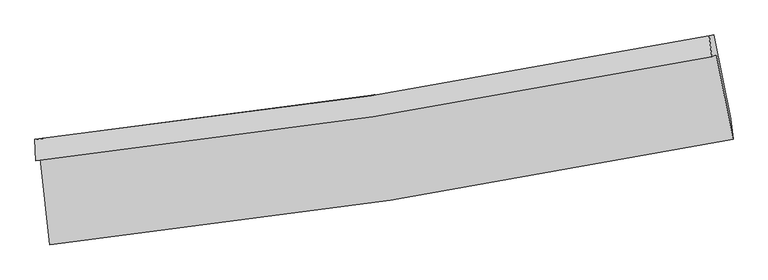
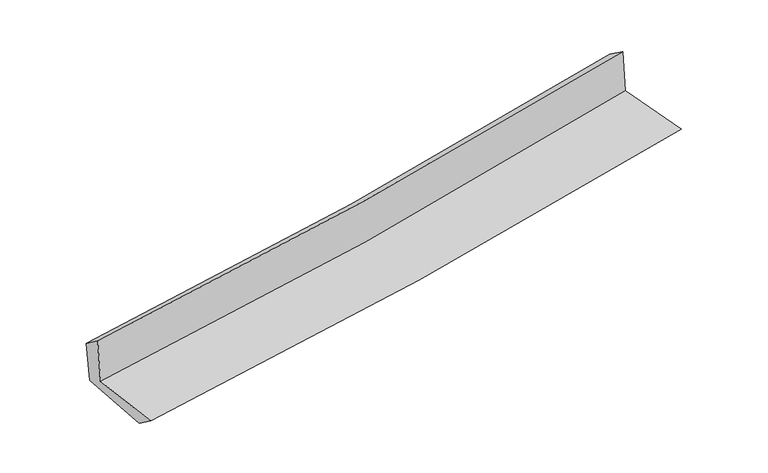
"""IFC4 building model written with IfcOpenShell, lengths in millimetres: proxy geometry."""

import ifcopenshell
import ifcopenshell.guid

model = None  # the IFC model being written
_history = None  # IfcOwnerHistory: only IFC2X3 demands one
_inside = {}  # id of a spatial element -> (the spatial element, [elements in it])
_under = {}  # id of a project, library or spatial element -> (it, [spatial elements below it])
_declared = {}  # id of a project -> (the project, [libraries it declares])
_typed = {}  # id of a type object -> (the type object, [elements of that type])
_made_of = {}  # id of a material, layer set ... -> (it, [elements and type objects made of it])


def new_model(schema):
    """Start an empty IFC model of exactly this schema.

    Asked for "IFC4X3", IfcOpenShell would pick the latest addendum, in which some entities
    have other attributes; the version numbers below select the first issue.
    IFC2X3 requires an IfcOwnerHistory on every rooted entity: one is made here for all.
    """
    global model, _history
    if schema == "IFC4X3":
        model = ifcopenshell.file(schema_version=(4, 3, 0, 0))
    else:
        model = ifcopenshell.file(schema=schema)
    _inside.clear()
    _under.clear()
    _declared.clear()
    _typed.clear()
    _made_of.clear()
    _history = None
    if model.schema == "IFC2X3":
        org = make("IfcOrganization", Name="unknown")
        user = make(
            "IfcPersonAndOrganization",
            ThePerson=make("IfcPerson", FamilyName="unknown"),
            TheOrganization=org,
        )
        app = make(
            "IfcApplication",
            ApplicationDeveloper=org,
            Version="unknown",
            ApplicationFullName="unknown",
            ApplicationIdentifier="unknown",
        )
        _history = make(
            "IfcOwnerHistory",
            OwningUser=user,
            OwningApplication=app,
            ChangeAction="ADDED",
            CreationDate=0,
        )
    return model


def make(cls, **values):
    """One entity of the class cls with the attributes given. An attribute that is None is left unset."""
    return model.create_entity(
        cls, **{name: value for name, value in values.items() if value is not None}
    )


def rooted(cls, **values):
    """An entity with a GlobalId (a new one), such as an element, a storey or a relation."""
    return make(cls, GlobalId=ifcopenshell.guid.new(), OwnerHistory=_history, **values)


def si_unit(unit_type, name, prefix=None):
    """IfcSIUnit, for example si_unit("LENGTHUNIT", "METRE", prefix="MILLI")."""
    return make("IfcSIUnit", UnitType=unit_type, Prefix=prefix, Name=name)


def assignment(units):
    """IfcUnitAssignment: the units of a project."""
    return None if units is None else make("IfcUnitAssignment", Units=units)


def point(xyz):
    """IfcCartesianPoint."""
    return None if xyz is None else make("IfcCartesianPoint", Coordinates=xyz)


def direction(xyz):
    """IfcDirection."""
    return None if xyz is None else make("IfcDirection", DirectionRatios=xyz)


def frame(location, z_axis=None, x_axis=None):
    """IfcAxis2Placement3D, a coordinate frame: its origin and axes. An axis left out is left unset."""
    return make(
        "IfcAxis2Placement3D",
        Location=point(location),
        Axis=direction(z_axis),
        RefDirection=direction(x_axis),
    )


def origin():
    """The frame at (0, 0, 0) with its axes left unset."""
    return frame((0.0, 0.0, 0.0))


def place(relative_to, where):
    """IfcLocalPlacement: puts the frame where relative to a parent placement (None: the world)."""
    return make(
        "IfcLocalPlacement", PlacementRelTo=relative_to, RelativePlacement=where
    )


def context(
    kind, dimensions, precision=None, world=None, true_north=None, identifier=None
):
    """IfcGeometricRepresentationContext, for example the 3D "Model" context."""
    return make(
        "IfcGeometricRepresentationContext",
        ContextIdentifier=identifier,
        ContextType=kind,
        CoordinateSpaceDimension=dimensions,
        Precision=precision,
        WorldCoordinateSystem=world,
        TrueNorth=true_north,
    )


def project(units=None, contexts=None):
    """IfcProject with its units and contexts."""
    return rooted(
        "IfcProject",
        Name="project",
        RepresentationContexts=contexts,
        UnitsInContext=assignment(units),
    )


def spatial(cls, under=None, at=None, **own):
    """A site, building, storey or space (cls), placed at a placement, below another one or the project."""
    s = rooted(cls, ObjectPlacement=at, **own)
    if under is not None:
        _under.setdefault(under.id(), (under, []))[1].append(s)
    return s


def shape(context_of_items, identifier, shape_type, items):
    """IfcShapeRepresentation: the items that make up one representation, for example the "Body"."""
    return make(
        "IfcShapeRepresentation",
        ContextOfItems=context_of_items,
        RepresentationIdentifier=identifier,
        RepresentationType=shape_type,
        Items=items,
    )


def source(mapping_origin, context_of_items, identifier, shape_type, items):
    """IfcRepresentationMap: a shape defined once, which mapped items show again and again."""
    return make(
        "IfcRepresentationMap",
        MappingOrigin=mapping_origin,
        MappedRepresentation=shape(context_of_items, identifier, shape_type, items),
    )


def transform(
    local_origin,
    x_axis=None,
    y_axis=None,
    z_axis=None,
    scale=None,
    scale2=None,
    scale3=None,
    uniform=True,
):
    """IfcCartesianTransformationOperator3D, or its non-uniform kind. x_axis, y_axis, z_axis: its Axis1, 2, 3."""
    if uniform:
        return make(
            "IfcCartesianTransformationOperator3D",
            Axis1=direction(x_axis),
            Axis2=direction(y_axis),
            LocalOrigin=point(local_origin),
            Scale=scale,
            Axis3=direction(z_axis),
        )
    return make(
        "IfcCartesianTransformationOperator3DnonUniform",
        Axis1=direction(x_axis),
        Axis2=direction(y_axis),
        LocalOrigin=point(local_origin),
        Scale=scale,
        Axis3=direction(z_axis),
        Scale2=scale2,
        Scale3=scale3,
    )


def mapped(mapping_source, mapping_target):
    """IfcMappedItem: shows the shape of a source again, moved by a transform."""
    return make(
        "IfcMappedItem", MappingSource=mapping_source, MappingTarget=mapping_target
    )


def made_of(thing, what):
    """Note that an element or type object is made of a material, layer set ...; save() writes the relation."""
    if what is not None:
        _made_of.setdefault(what.id(), (what, []))[1].append(thing)
    return thing


def element(
    cls,
    number,
    at=None,
    inside=None,
    cuts=None,
    type_object=None,
    material=None,
    context=None,
    identifier="Body",
    shape_type=None,
    held_by="IfcProductDefinitionShape",
    body=None,
    shapes=None,
    **own,
):
    """One element of the class cls, such as IfcWall. Its Tag is "e" and its number.

    at: its placement. inside: the storey or other place that contains it. cuts: it is an
    opening in that element (IfcRelVoidsElement). A single representation is given by context,
    identifier, shape_type and body (its items); several are given by shapes. held_by: the class
    of the entity that holds the representations. save() writes the other relations.
    """
    e = rooted(cls, Tag="e%d" % number, ObjectPlacement=at, **own)
    if body is not None:
        shapes = [shape(context, identifier, shape_type, body)]
    if shapes is not None:
        e.Representation = make(held_by, Representations=shapes)
    if inside is not None:
        _inside.setdefault(inside.id(), (inside, []))[1].append(e)
    if cuts is not None:
        rooted(
            "IfcRelVoidsElement", RelatingBuildingElement=cuts, RelatedOpeningElement=e
        )
    if type_object is not None:
        _typed.setdefault(type_object.id(), (type_object, []))[1].append(e)
    return made_of(e, material)


def aggregate(whole, parts):
    """IfcRelAggregates: a whole, such as a stair, and the parts it consists of."""
    return rooted("IfcRelAggregates", RelatingObject=whole, RelatedObjects=parts)


def save(model, path):
    """Write the relations noted so far, then the file.

    IfcRelAggregates (storeys below a building ...), IfcRelContainedInSpatialStructure (elements
    in a storey), IfcRelDefinesByType, IfcRelAssociatesMaterial and IfcRelDeclares: one each for
    every whole, place, type object, material and project.
    """
    for whole, parts in _under.values():
        aggregate(whole, parts)
    for where, things in _inside.values():
        rooted(
            "IfcRelContainedInSpatialStructure",
            RelatedElements=things,
            RelatingStructure=where,
        )
    for kind, things in _typed.values():
        rooted("IfcRelDefinesByType", RelatedObjects=things, RelatingType=kind)
    for what, things in _made_of.values():
        rooted("IfcRelAssociatesMaterial", RelatedObjects=things, RelatingMaterial=what)
    for by, libraries in _declared.values():
        rooted("IfcRelDeclares", RelatingContext=by, RelatedDefinitions=libraries)
    model.write(path)


def plane_surface(at):
    """IfcPlane: the flat surface through the origin of the frame at, square to its z axis."""
    return make("IfcPlane", Position=at)


def spline_curve(degree, points, multiplicities, knots, weights=None):
    """IfcBSplineCurveWithKnots; with weights, IfcRationalBSplineCurveWithKnots."""
    own = dict(
        Degree=degree,
        ControlPointsList=[point(p) for p in points],
        CurveForm="UNSPECIFIED",
        ClosedCurve=False,
        SelfIntersect=False,
        KnotMultiplicities=multiplicities,
        Knots=knots,
        KnotSpec="UNSPECIFIED",
    )
    if weights is None:
        return make("IfcBSplineCurveWithKnots", **own)
    return make("IfcRationalBSplineCurveWithKnots", WeightsData=weights, **own)


def spline_surface(u_degree, v_degree, points, u_multiplicities, v_multiplicities, u_knots, v_knots, weights=None):
    """IfcBSplineSurfaceWithKnots; with weights, IfcRationalBSplineSurfaceWithKnots. points: one row for each step in u."""
    own = dict(
        UDegree=u_degree,
        VDegree=v_degree,
        ControlPointsList=[[point(p) for p in row] for row in points],
        SurfaceForm="UNSPECIFIED",
        UClosed=False,
        VClosed=False,
        SelfIntersect=False,
        UMultiplicities=u_multiplicities,
        VMultiplicities=v_multiplicities,
        UKnots=u_knots,
        VKnots=v_knots,
        KnotSpec="UNSPECIFIED",
    )
    if weights is None:
        return make("IfcBSplineSurfaceWithKnots", **own)
    return make("IfcRationalBSplineSurfaceWithKnots", WeightsData=weights, **own)


def advanced_brep(points, edges, surfaces, faces):
    """IfcAdvancedBrep: a solid bounded by faces that lie on surfaces and meet in shared edges.

    An edge is (start, end): straight between two places in points (the first is 0);
    or (start, end, curve); or (start, end, curve, False) where it runs against its curve.
    A face is (place in surfaces, loops), or (place, loops, False) where it looks against
    its surface's normal. A loop lists edges by number (the first is 1), with a minus sign
    where the edge is run from its end to its start. The first loop is the outer one.
    """
    corners = [point(p) for p in points]
    vertices = [make("IfcVertexPoint", VertexGeometry=c) for c in corners]
    made = []
    for start, end, *more in edges:
        made.append(
            make(
                "IfcEdgeCurve",
                EdgeStart=vertices[start],
                EdgeEnd=vertices[end],
                EdgeGeometry=more[0] if more else make("IfcPolyline", Points=[corners[start], corners[end]]),
                SameSense=more[1] if len(more) > 1 else True,
            )
        )
    hull = []
    for where, loops, *sense in faces:
        bounds = []
        for j, loop in enumerate(loops):
            ring = [make("IfcOrientedEdge", EdgeElement=made[abs(k) - 1], Orientation=k > 0) for k in loop]
            bounds.append(
                make(
                    "IfcFaceOuterBound" if j == 0 else "IfcFaceBound",
                    Bound=make("IfcEdgeLoop", EdgeList=ring),
                    Orientation=True,
                )
            )
        hull.append(make("IfcAdvancedFace", Bounds=bounds, FaceSurface=surfaces[where], SameSense=sense[0] if sense else True))
    return make("IfcAdvancedBrep", Outer=make("IfcClosedShell", CfsFaces=hull))


def generic_models_c8d1899a(model_context):
    return source(origin(), model_context, "Body", "AdvancedBrep", [
        advanced_brep(
        [(-2622.4648064, -1887.3774681, 1656.6589267), (-2551.2982549, -2548.9858492, 1652.8573665), (2712.4281933, -1738.4414162, 2112.5305694), (2582.9628321, -1086.1371403, 2128.2466199), (-2657.1983719, -1904.0779931, 2063.6969613), (2549.199313, -1102.3712495, 2523.9168094), (-2664.2341655, -1738.8468584, 1944.9752502), (2528.3973631, -939.7475643, 2404.9586948), (-2631.5941583, -1733.2069858, 1574.4667999), (2562.763624, -933.8275061, 2024.5066469), (-2558.4357108, -2381.0817611, 1532.0796056), (2692.7006674, -1578.1380183, 1986.9424987)],
        [
            (0, 1),
            (1, 2, spline_curve(3, [(-2551.2982549, -2548.9858492, 1652.8573665), (-1673.706935418, -2454.957655809, 1725.950799927), (-799.144946019, -2340.977077265, 1800.540615549), (955.511651912, -2071.329857295, 1953.724948491), (1835.525145389, -1915.128958211, 2032.359533751), (2712.4281933, -1738.4414162, 2112.5305694)], [4, 2, 4], [0.0, 8.666718666986261, 17.448703645338487])),
            (2, 3),
            (3, 0, spline_curve(3, [(2582.9628321, -1086.1371403, 2128.2466199), (1716.70314045, -1260.54818572, 2040.422689128), (846.898803403, -1414.832735804, 1956.980898361), (-888.336181083, -1681.387979183, 1799.89927939), (-1753.674390368, -1794.183538247, 1726.14517244), (-2622.4648064, -1887.3774681, 1656.6589267)], [4, 2, 4], [0.0, 8.781984978352225, 17.448703645338487])),
            (4, 0),
            (3, 5),
            (5, 4, spline_curve(3, [(2549.199313, -1102.3712495, 2523.9168094), (1682.409321709, -1277.037272444, 2442.307387882), (812.259678016, -1431.487852367, 2362.912202967), (-923.293831318, -1698.196248095, 2209.563330622), (-1788.61008231, -1810.981249419, 2135.551899454), (-2657.1983719, -1904.0779931, 2063.6969613)], [4, 2, 4], [0.0, 8.73431726853259, 17.35399387936359])),
            (6, 4),
            (5, 7),
            (7, 6, spline_curve(3, [(2528.3973631, -939.7475643, 2404.9586948), (1663.995889127, -1114.038636393, 2323.746171537), (796.195000707, -1268.082811507, 2244.56808631), (-934.770826683, -1533.921236987, 2091.293326293), (-1797.847114559, -1646.243493271, 2017.143596795), (-2664.2341655, -1738.8468584, 1944.9752502)], [4, 2, 4], [0.0, 8.722783158051655, 17.33107704722478])),
            (8, 6),
            (7, 9),
            (9, 8, spline_curve(3, [(2562.763624, -933.8275061, 2024.5066469), (1697.768349706, -1108.224006527, 1948.26860689), (829.526761321, -1262.344205944, 1872.400949847), (-902.010491058, -1528.275259845, 1722.397326394), (-1765.221497024, -1640.614886953, 1648.251701351), (-2631.5941583, -1733.2069858, 1574.4667999)], [4, 2, 4], [0.0, 8.711964491669635, 17.309581712855277])),
            (10, 8),
            (9, 11),
            (11, 10, spline_curve(3, [(2692.7006674, -1578.1380183, 1986.9424987), (1816.449533947, -1745.341367936, 1910.350506837), (937.822924569, -1896.189710131, 1833.899794675), (-812.617816668, -2163.411112802, 1682.282514797), (-1684.369999922, -2280.21068478, 1607.112262517), (-2558.4357108, -2381.0817611, 1532.0796056)], [4, 2, 4], [0.0, 8.759120118552053, 17.40327403420514])),
            (1, 10),
            (11, 2),
        ],
        [
            spline_surface(3, 3, [[(-2622.4648064, -1887.3774681, 1656.6589267), (-1753.674390448, -1794.183538295, 1726.14517256), (-888.336181182, -1681.387979194, 1799.899279518), (846.898803503, -1414.832735794, 1956.980898232), (1716.703140397, -1260.548185641, 2040.422689043), (2582.9628321, -1086.1371403, 2128.2466199)], [(-2598.742622562, -2107.91359514, 1655.391739964), (-1727.018572123, -2014.441577451, 1726.080381674), (-858.60576945, -1901.251011848, 1800.113058195), (883.103086343, -1633.665109669, 1955.895581625), (1756.310475347, -1478.74177655, 2037.734970619), (2626.117952486, -1303.571898937, 2123.007936404)], [(-2575.020438738, -2328.44972216, 1654.124553236), (-1700.362753812, -2234.699616586, 1726.015590797), (-828.875357791, -2121.114044495, 1800.326836912), (919.307369112, -1852.497483536, 1954.810265057), (1795.917810339, -1696.935367446, 2035.047252184), (2669.273072914, -1521.006657563, 2117.769252896)], [(-2551.2982549, -2548.9858492, 1652.8573665), (-1673.706935487, -2454.957655742, 1725.950799911), (-799.144946059, -2340.977077149, 1800.54061559), (955.511651952, -2071.329857412, 1953.72494845), (1835.52514529, -1915.128958355, 2032.35953376), (2712.4281933, -1738.4414162, 2112.5305694)]], [4, 4], [4, 2, 4], [0.0, 2.183182860623151], [0.0, 8.666718666986261, 17.448703645338487]),
            spline_surface(3, 3, [[(-2657.1983719, -1904.0779931, 2063.6969613), (-1788.610082335, -1810.981249309, 2135.551899406), (-923.293831248, -1698.196248096, 2209.563330604), (812.259677944, -1431.487852366, 2362.912202986), (1682.409321799, -1277.037272408, 2442.307387828), (2549.199313, -1102.3712495, 2523.9168094)], [(-2645.620516728, -1898.511151413, 1928.017616428), (-1776.964851701, -1805.382012285, 1999.082990452), (-911.641281243, -1692.593491786, 2073.008646924), (823.806053113, -1425.936146832, 2227.601768083), (1693.840594661, -1271.540910141, 2308.345821547), (2560.453819363, -1096.959879755, 2392.026746214)], [(-2634.042661572, -1892.944309787, 1792.338271572), (-1765.319621083, -1799.78277532, 1862.614081513), (-899.988731187, -1686.990735504, 1936.453963198), (835.352428334, -1420.384441327, 2092.291333135), (1705.271867535, -1266.044547908, 2174.384255324), (2571.708325737, -1091.548510045, 2260.136683086)], [(-2622.4648064, -1887.3774681, 1656.6589267), (-1753.674390448, -1794.183538295, 1726.14517256), (-888.336181182, -1681.387979194, 1799.899279518), (846.898803503, -1414.832735794, 1956.980898232), (1716.703140397, -1260.548185641, 2040.422689043), (2582.9628321, -1086.1371403, 2128.2466199)]], [4, 4], [4, 2, 4], [0.0, 1.3438205741893798], [0.0, 8.619676610830998, 17.35399387936359]),
            spline_surface(3, 3, [[(-2664.2341655, -1738.8468584, 1944.9752502), (-1797.847114519, -1646.243493241, 2017.14359669), (-934.770826656, -1533.921237055, 2091.293326271), (796.195000681, -1268.082811438, 2244.568086332), (1663.995888999, -1114.038636254, 2323.746171643), (2528.3973631, -939.7475643, 2404.9586948)], [(-2661.888900961, -1793.923903319, 1984.549153916), (-1794.768103786, -1701.156078617, 2056.613030945), (-930.945161527, -1588.679574068, 2130.716661023), (801.549893095, -1322.551158413, 2284.016125191), (1670.13369994, -1168.371514975, 2363.266577063), (2535.331346408, -993.955459369, 2444.611399692)], [(-2659.543636439, -1849.000948181, 2024.123057584), (-1791.689093068, -1756.068663934, 2096.082465151), (-927.119496377, -1643.437911083, 2170.139995852), (806.90478553, -1377.01950539, 2323.464164127), (1676.271510858, -1222.704393688, 2402.786982408), (2542.265329692, -1048.163354431, 2484.264104508)], [(-2657.1983719, -1904.0779931, 2063.6969613), (-1788.610082335, -1810.981249309, 2135.551899406), (-923.293831248, -1698.196248096, 2209.563330604), (812.259677944, -1431.487852366, 2362.912202986), (1682.409321799, -1277.037272408, 2442.307387828), (2549.199313, -1102.3712495, 2523.9168094)]], [4, 4], [4, 2, 4], [0.0, 0.6645529369411817], [0.0, 8.608293889173126, 17.33107704722478]),
            spline_surface(3, 3, [[(-2631.5941583, -1733.2069858, 1574.4667999), (-1765.221496946, -1640.614886975, 1648.251701255), (-902.010491191, -1528.275259906, 1722.397326446), (829.526761457, -1262.344205883, 1872.400949795), (1697.768349768, -1108.224006415, 1948.268606959), (2562.763624, -933.8275061, 2024.5066469)], [(-2642.474160705, -1735.086943311, 1697.969616652), (-1776.096702809, -1642.491089041, 1771.215666385), (-912.930602989, -1530.157252292, 1845.362659727), (818.416174556, -1264.257074404, 1996.456661981), (1686.510862832, -1110.162216356, 2073.42779517), (2551.308203687, -935.800858828, 2151.323996183)], [(-2653.354163095, -1736.966900889, 1821.472433448), (-1786.971908656, -1644.367291175, 1894.17963156), (-923.850714859, -1532.039244669, 1968.327992989), (807.305587582, -1266.169942916, 2120.512374147), (1675.253375935, -1112.100426313, 2198.586983432), (2539.852783413, -937.774211572, 2278.141345517)], [(-2664.2341655, -1738.8468584, 1944.9752502), (-1797.847114519, -1646.243493241, 2017.14359669), (-934.770826656, -1533.921237055, 2091.293326271), (796.195000681, -1268.082811438, 2244.568086332), (1663.995888999, -1114.038636254, 2323.746171643), (2528.3973631, -939.7475643, 2404.9586948)]], [4, 4], [4, 2, 4], [0.0, 1.220695190909802], [0.0, 8.597617221185642, 17.309581712855277]),
            spline_surface(3, 3, [[(-2558.4357108, -2381.0817611, 1532.0796056), (-1684.370000066, -2280.210684765, 1607.11226255), (-812.617816676, -2163.411112764, 1682.282514714), (937.822924577, -1896.189710169, 1833.899794759), (1816.449533882, -1745.341367915, 1910.350506927), (2692.7006674, -1578.1380183, 1986.9424987)], [(-2582.821859956, -2165.123502682, 1546.208670392), (-1711.320499015, -2067.012085517, 1620.82540881), (-842.415374853, -1951.699161811, 1695.654118637), (901.724203532, -1684.907875406, 1846.733513117), (1776.889139186, -1532.968914087, 1922.989873602), (2649.388319608, -1363.367847573, 1999.463881431)], [(-2607.208009144, -1949.165244218, 1560.337735108), (-1738.270997997, -1853.813486223, 1634.538554995), (-872.212933014, -1739.98721086, 1709.025722523), (865.625482502, -1473.626040646, 1859.567231438), (1737.328744464, -1320.596460242, 1935.629240284), (2606.075971792, -1148.597676827, 2011.985264169)], [(-2631.5941583, -1733.2069858, 1574.4667999), (-1765.221496946, -1640.614886975, 1648.251701255), (-902.010491191, -1528.275259906, 1722.397326446), (829.526761457, -1262.344205883, 1872.400949795), (1697.768349768, -1108.224006415, 1948.268606959), (2562.763624, -933.8275061, 2024.5066469)]], [4, 4], [4, 2, 4], [0.0, 2.110749383586194], [0.0, 8.644153915653087, 17.40327403420514]),
            spline_surface(3, 3, [[(-2551.2982549, -2548.9858492, 1652.8573665), (-1673.706935487, -2454.957655742, 1725.950799911), (-799.144946059, -2340.977077149, 1800.54061559), (955.511651952, -2071.329857412, 1953.72494845), (1835.52514529, -1915.128958355, 2032.35953376), (2712.4281933, -1738.4414162, 2112.5305694)], [(-2553.677406888, -2493.017819834, 1612.598112847), (-1677.261290367, -2396.708665417, 1686.337954105), (-803.63590295, -2281.788422359, 1761.121248636), (949.615409475, -2012.949808335, 1913.783230558), (1829.166608168, -1858.533094879, 1991.689858158), (2705.852351347, -1685.006950237, 2070.667879176)], [(-2556.056558812, -2437.049790466, 1572.338859253), (-1680.815645185, -2338.45967509, 1646.725108356), (-808.126859785, -2222.599767555, 1721.701881668), (943.719167054, -1954.569759245, 1873.841512652), (1822.808071004, -1801.937231391, 1951.020182529), (2699.276509353, -1631.572484263, 2028.805188924)], [(-2558.4357108, -2381.0817611, 1532.0796056), (-1684.370000066, -2280.210684765, 1607.11226255), (-812.617816676, -2163.411112764, 1682.282514714), (937.822924577, -1896.189710169, 1833.899794759), (1816.449533882, -1745.341367915, 1910.350506927), (2692.7006674, -1578.1380183, 1986.9424987)]], [4, 4], [4, 2, 4], [0.0, 0.6999162995589543], [0.0, 8.701873664627886, 17.519481197843785]),
            plane_surface(frame((2604.7419988, -1229.7771491, 2196.8503065), z_axis=(0.9771925358047681, 0.19174861042870867, 0.09125359371611866), x_axis=(-0.08995298562245599, -0.015495631301368709, 0.9958254594998956))),
            plane_surface(frame((-2614.2042446, -2032.2628193, 1737.4558184), z_axis=(-0.9903853056012519, -0.10602116682962975, -0.08886202019535182), x_axis=(-0.10694728694575484, 0.9942482792158447, 0.0057128881727513325))),
        ],
        [
            (0, [[1, 2, 3, 4]]),
            (1, [[5, -4, 6, 7]]),
            (2, [[8, -7, 9, 10]]),
            (3, [[11, -10, 12, 13]]),
            (4, [[14, -13, 15, 16]]),
            (5, [[17, -16, 18, -2]]),
            (6, [[-12, -9, -6, -3, -18, -15]]),
            (7, [[-1, -5, -8, -11, -14, -17]]),
        ],
    ),
    ])


if __name__ == "__main__":
    model = new_model("IFC4")
    model_context = context("Model", 3, world=origin())
    ifc_project = project(units=[si_unit("LENGTHUNIT", "METRE", prefix="MILLI")], contexts=[model_context])
    site = spatial("IfcSite", under=ifc_project)
    building = spatial("IfcBuilding", under=site)
    placement = place(None, origin())
    generic_models_shape = generic_models_c8d1899a(model_context)
    element("IfcBuildingElementProxy", 1, Name="Generic Models", at=placement, inside=building, context=model_context, shape_type="MappedRepresentation", body=[
        mapped(generic_models_shape, transform((0.0, 0.0, 0.0), x_axis=(1.0, 0.0, 0.0), y_axis=(0.0, 1.0, 0.0), z_axis=(0.0, 0.0, 1.0))),
    ])
    save(model, "model.ifc")
